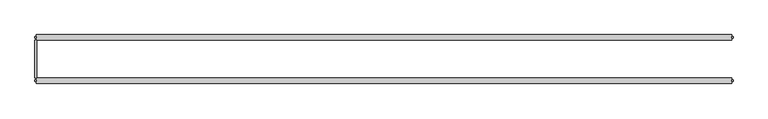
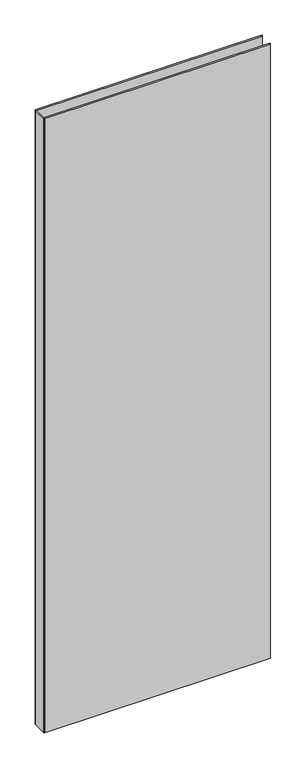
"""IFC4 building model written with IfcOpenShell, lengths in millimetres: plate geometry."""

import ifcopenshell
import ifcopenshell.guid

model = None  # the IFC model being written
_history = None  # IfcOwnerHistory: only IFC2X3 demands one
_inside = {}  # id of a spatial element -> (the spatial element, [elements in it])
_under = {}  # id of a project, library or spatial element -> (it, [spatial elements below it])
_declared = {}  # id of a project -> (the project, [libraries it declares])
_typed = {}  # id of a type object -> (the type object, [elements of that type])
_made_of = {}  # id of a material, layer set ... -> (it, [elements and type objects made of it])


def new_model(schema):
    """Start an empty IFC model of exactly this schema.

    Asked for "IFC4X3", IfcOpenShell would pick the latest addendum, in which some entities
    have other attributes; the version numbers below select the first issue.
    IFC2X3 requires an IfcOwnerHistory on every rooted entity: one is made here for all.
    """
    global model, _history
    if schema == "IFC4X3":
        model = ifcopenshell.file(schema_version=(4, 3, 0, 0))
    else:
        model = ifcopenshell.file(schema=schema)
    _inside.clear()
    _under.clear()
    _declared.clear()
    _typed.clear()
    _made_of.clear()
    _history = None
    if model.schema == "IFC2X3":
        org = make("IfcOrganization", Name="unknown")
        user = make(
            "IfcPersonAndOrganization",
            ThePerson=make("IfcPerson", FamilyName="unknown"),
            TheOrganization=org,
        )
        app = make(
            "IfcApplication",
            ApplicationDeveloper=org,
            Version="unknown",
            ApplicationFullName="unknown",
            ApplicationIdentifier="unknown",
        )
        _history = make(
            "IfcOwnerHistory",
            OwningUser=user,
            OwningApplication=app,
            ChangeAction="ADDED",
            CreationDate=0,
        )
    return model


def make(cls, **values):
    """One entity of the class cls with the attributes given. An attribute that is None is left unset."""
    return model.create_entity(
        cls, **{name: value for name, value in values.items() if value is not None}
    )


def rooted(cls, **values):
    """An entity with a GlobalId (a new one), such as an element, a storey or a relation."""
    return make(cls, GlobalId=ifcopenshell.guid.new(), OwnerHistory=_history, **values)


def si_unit(unit_type, name, prefix=None):
    """IfcSIUnit, for example si_unit("LENGTHUNIT", "METRE", prefix="MILLI")."""
    return make("IfcSIUnit", UnitType=unit_type, Prefix=prefix, Name=name)


def assignment(units):
    """IfcUnitAssignment: the units of a project."""
    return None if units is None else make("IfcUnitAssignment", Units=units)


def point(xyz):
    """IfcCartesianPoint."""
    return None if xyz is None else make("IfcCartesianPoint", Coordinates=xyz)


def direction(xyz):
    """IfcDirection."""
    return None if xyz is None else make("IfcDirection", DirectionRatios=xyz)


def frame(location, z_axis=None, x_axis=None):
    """IfcAxis2Placement3D, a coordinate frame: its origin and axes. An axis left out is left unset."""
    return make(
        "IfcAxis2Placement3D",
        Location=point(location),
        Axis=direction(z_axis),
        RefDirection=direction(x_axis),
    )


def origin():
    """The frame at (0, 0, 0) with its axes left unset."""
    return frame((0.0, 0.0, 0.0))


def origin_with_axes():
    """The frame at (0, 0, 0) with the z axis (0, 0, 1) and the x axis (1, 0, 0) written out."""
    return frame((0.0, 0.0, 0.0), z_axis=(0.0, 0.0, 1.0), x_axis=(1.0, 0.0, 0.0))


def place(relative_to, where):
    """IfcLocalPlacement: puts the frame where relative to a parent placement (None: the world)."""
    return make(
        "IfcLocalPlacement", PlacementRelTo=relative_to, RelativePlacement=where
    )


def context(
    kind, dimensions, precision=None, world=None, true_north=None, identifier=None
):
    """IfcGeometricRepresentationContext, for example the 3D "Model" context."""
    return make(
        "IfcGeometricRepresentationContext",
        ContextIdentifier=identifier,
        ContextType=kind,
        CoordinateSpaceDimension=dimensions,
        Precision=precision,
        WorldCoordinateSystem=world,
        TrueNorth=true_north,
    )


def project(units=None, contexts=None):
    """IfcProject with its units and contexts."""
    return rooted(
        "IfcProject",
        Name="project",
        RepresentationContexts=contexts,
        UnitsInContext=assignment(units),
    )


def spatial(cls, under=None, at=None, **own):
    """A site, building, storey or space (cls), placed at a placement, below another one or the project."""
    s = rooted(cls, ObjectPlacement=at, **own)
    if under is not None:
        _under.setdefault(under.id(), (under, []))[1].append(s)
    return s


def polyline(points):
    """IfcPolyline through the points."""
    return make("IfcPolyline", Points=[point(p) for p in points])


def outline(outer, holes=None, kind="AREA"):
    """IfcArbitraryClosedProfileDef: a profile drawn as a closed curve; with holes, ...WithVoids."""
    if holes is None:
        return make("IfcArbitraryClosedProfileDef", ProfileType=kind, OuterCurve=outer)
    return make(
        "IfcArbitraryProfileDefWithVoids",
        ProfileType=kind,
        OuterCurve=outer,
        InnerCurves=holes,
    )


def extrude(swept, where, along, depth):
    """IfcExtrudedAreaSolid: the profile swept, set in the frame where, extruded along a direction by depth."""
    return make(
        "IfcExtrudedAreaSolid",
        SweptArea=swept,
        Position=where,
        ExtrudedDirection=direction(along),
        Depth=depth,
    )


def shape(context_of_items, identifier, shape_type, items):
    """IfcShapeRepresentation: the items that make up one representation, for example the "Body"."""
    return make(
        "IfcShapeRepresentation",
        ContextOfItems=context_of_items,
        RepresentationIdentifier=identifier,
        RepresentationType=shape_type,
        Items=items,
    )


def source(mapping_origin, context_of_items, identifier, shape_type, items):
    """IfcRepresentationMap: a shape defined once, which mapped items show again and again."""
    return make(
        "IfcRepresentationMap",
        MappingOrigin=mapping_origin,
        MappedRepresentation=shape(context_of_items, identifier, shape_type, items),
    )


def transform(
    local_origin,
    x_axis=None,
    y_axis=None,
    z_axis=None,
    scale=None,
    scale2=None,
    scale3=None,
    uniform=True,
):
    """IfcCartesianTransformationOperator3D, or its non-uniform kind. x_axis, y_axis, z_axis: its Axis1, 2, 3."""
    if uniform:
        return make(
            "IfcCartesianTransformationOperator3D",
            Axis1=direction(x_axis),
            Axis2=direction(y_axis),
            LocalOrigin=point(local_origin),
            Scale=scale,
            Axis3=direction(z_axis),
        )
    return make(
        "IfcCartesianTransformationOperator3DnonUniform",
        Axis1=direction(x_axis),
        Axis2=direction(y_axis),
        LocalOrigin=point(local_origin),
        Scale=scale,
        Axis3=direction(z_axis),
        Scale2=scale2,
        Scale3=scale3,
    )


def mapped(mapping_source, mapping_target):
    """IfcMappedItem: shows the shape of a source again, moved by a transform."""
    return make(
        "IfcMappedItem", MappingSource=mapping_source, MappingTarget=mapping_target
    )


def made_of(thing, what):
    """Note that an element or type object is made of a material, layer set ...; save() writes the relation."""
    if what is not None:
        _made_of.setdefault(what.id(), (what, []))[1].append(thing)
    return thing


def element(
    cls,
    number,
    at=None,
    inside=None,
    cuts=None,
    type_object=None,
    material=None,
    context=None,
    identifier="Body",
    shape_type=None,
    held_by="IfcProductDefinitionShape",
    body=None,
    shapes=None,
    **own,
):
    """One element of the class cls, such as IfcWall. Its Tag is "e" and its number.

    at: its placement. inside: the storey or other place that contains it. cuts: it is an
    opening in that element (IfcRelVoidsElement). A single representation is given by context,
    identifier, shape_type and body (its items); several are given by shapes. held_by: the class
    of the entity that holds the representations. save() writes the other relations.
    """
    e = rooted(cls, Tag="e%d" % number, ObjectPlacement=at, **own)
    if body is not None:
        shapes = [shape(context, identifier, shape_type, body)]
    if shapes is not None:
        e.Representation = make(held_by, Representations=shapes)
    if inside is not None:
        _inside.setdefault(inside.id(), (inside, []))[1].append(e)
    if cuts is not None:
        rooted(
            "IfcRelVoidsElement", RelatingBuildingElement=cuts, RelatedOpeningElement=e
        )
    if type_object is not None:
        _typed.setdefault(type_object.id(), (type_object, []))[1].append(e)
    return made_of(e, material)


def aggregate(whole, parts):
    """IfcRelAggregates: a whole, such as a stair, and the parts it consists of."""
    return rooted("IfcRelAggregates", RelatingObject=whole, RelatedObjects=parts)


def save(model, path):
    """Write the relations noted so far, then the file.

    IfcRelAggregates (storeys below a building ...), IfcRelContainedInSpatialStructure (elements
    in a storey), IfcRelDefinesByType, IfcRelAssociatesMaterial and IfcRelDeclares: one each for
    every whole, place, type object, material and project.
    """
    for whole, parts in _under.values():
        aggregate(whole, parts)
    for where, things in _inside.values():
        rooted(
            "IfcRelContainedInSpatialStructure",
            RelatedElements=things,
            RelatingStructure=where,
        )
    for kind, things in _typed.values():
        rooted("IfcRelDefinesByType", RelatedObjects=things, RelatingType=kind)
    for what, things in _made_of.values():
        rooted("IfcRelAssociatesMaterial", RelatedObjects=things, RelatingMaterial=what)
    for by, libraries in _declared.values():
        rooted("IfcRelDeclares", RelatingContext=by, RelatedDefinitions=libraries)
    model.write(path)


def plate_555a7df6(model_context):
    return source(origin(), model_context, "Body", "SweptSolid", [
        extrude(outline(polyline([(-506.1082011, 27.7), (-506.1082011, -27.7), (-509.1082011, -27.7), (-509.1082011, 27.7), (-506.1082011, 27.7)])), origin_with_axes(), (0.0, 0.0, 1.0), 2915.0),
        extrude(outline(polyline([(-507.1082011, 32.7), (-507.1082011, 30.7), (-509.1082011, 30.7), (-509.1082011, 32.7), (-507.1082011, 32.7)])), origin_with_axes(), (0.0, 0.0, 1.0), 2915.0),
        extrude(outline(polyline([(-507.1082011, -30.7), (-507.1082011, -32.7), (-509.1082011, -32.7), (-509.1082011, -30.7), (-507.1082011, -30.7)])), origin_with_axes(), (0.0, 0.0, 1.0), 2915.0),
        extrude(outline(polyline([(507.1082011, 32.7), (509.1082011, 32.7), (509.1082011, 30.7), (507.1082011, 30.7), (507.1082011, 32.7)])), origin_with_axes(), (0.0, 0.0, 1.0), 2915.0),
        extrude(outline(polyline([(509.1082011, -30.7), (509.1082011, -32.7), (507.1082011, -32.7), (507.1082011, -30.7), (509.1082011, -30.7)])), origin_with_axes(), (0.0, 0.0, 1.0), 2915.0),
        extrude(outline(polyline([(507.1082011, 27.7), (-507.1082011, 27.7), (-507.1082011, 35.7), (507.1082011, 35.7), (507.1082011, 27.7)])), origin_with_axes(), (0.0, 0.0, 1.0), 2915.0),
        extrude(outline(polyline([(-507.1082011, -35.7), (-507.1082011, -27.7), (507.1082011, -27.7), (507.1082011, -35.7), (-507.1082011, -35.7)])), origin_with_axes(), (0.0, 0.0, 1.0), 2915.0),
    ])


if __name__ == "__main__":
    model = new_model("IFC4")
    model_context = context("Model", 3, world=origin())
    ifc_project = project(units=[si_unit("LENGTHUNIT", "METRE", prefix="MILLI")], contexts=[model_context])
    site = spatial("IfcSite", under=ifc_project)
    building = spatial("IfcBuilding", under=site)
    placement = place(None, origin())
    plate_shape = plate_555a7df6(model_context)
    element("IfcPlate", 1, at=placement, inside=building, context=model_context, shape_type="MappedRepresentation", body=[
        mapped(plate_shape, transform((0.0, 0.0, 0.0), x_axis=(1.0, 0.0, 0.0), y_axis=(0.0, 1.0, 0.0), z_axis=(0.0, 0.0, 1.0))),
    ])
    save(model, "model.ifc")
